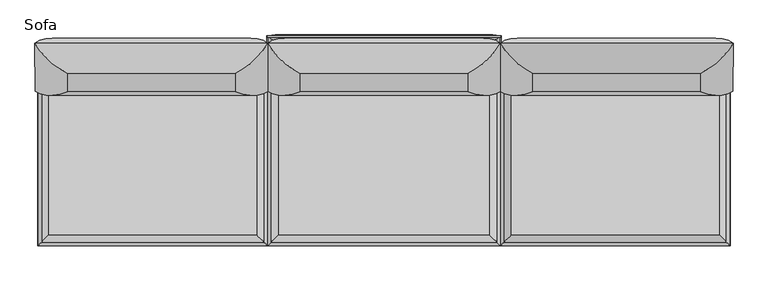
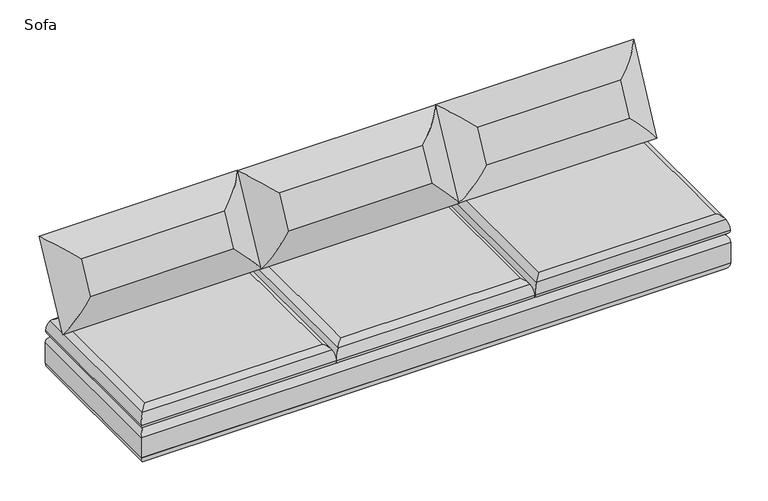
"""IFC4 building model written with IfcOpenShell, lengths in millimetres: furniture geometry, Sofa."""

from ifc_helpers import new_model, si_unit, frame, origin, place, context, project, spatial, polyline, ellipse_curve, outline, extrude, source, transform, mapped, element, save
from ifc_brep_helpers import plane_surface, cylinder_surface, advanced_brep


def sofa_3e85204a(model_context):
    return source(origin(), model_context, "Body", "SolidModel", [
        advanced_brep(
        [(646.6797252, 240.8346589, 603.5815721), (647.0392842, 321.5541698, 762.0021241), (507.0783778, 451.5945568, 853.3752799), (506.1519049, 243.6052285, 445.1742904), (646.8822518, 457.3435641, 692.8141501), (646.5226928, 376.6240532, 534.3935981), (1383.637387, 321.5541698, 760.3303051), (1524.0116192, 451.5945568, 851.0671987), (1383.4803546, 457.3435641, 691.1423312), (1383.277828, 240.8346589, 601.9097532), (1523.0851464, 243.6052285, 442.8662092), (1383.1207956, 376.6240532, 532.7217792)],
        [
            (0, 1),
            (1, 2, ellipse_curve(frame((656.0169647, 483.4251824, 669.1918342), z_axis=(-0.7085349183636998, -0.32101976096011775, -0.6284302527189903), x_axis=(0.705675001500553, -0.32101976096009843, -0.6316400124519629)), 263.8641638, 186.5801395)),
            (2, 3),
            (3, 0, ellipse_curve(frame((655.6945681, 411.0484767, 527.1449169), z_axis=(-0.705675001500552, 0.32101976096009915, 0.6316400124519636), x_axis=(-0.7085349183637007, -0.321019760960117, -0.6284302527189896)), 263.8641638, 186.5801395)),
            (2, 4, ellipse_curve(frame((651.8312889, 300.4148364, 767.3978558), z_axis=(-0.7085349183636998, -0.32101976096011775, -0.6284302527189903), x_axis=(0.705675001500553, -0.32101976096009843, -0.6316400124519629)), 245.7274984, 173.7555804)),
            (4, 5),
            (5, 3, ellipse_curve(frame((651.4910618, 224.0352441, 617.4948517), z_axis=(-0.705675001500552, 0.32101976096009915, 0.6316400124519636), x_axis=(-0.7085349183637007, -0.321019760960117, -0.6284302527189896)), 245.7274984, 173.7555804)),
            (1, 6),
            (6, 7, ellipse_curve(frame((1374.2385076, 483.4251824, 667.5617236), z_axis=(-0.7056750015005525, 0.32101976096009815, 0.6316400124519636), x_axis=(-0.7085349183637003, -0.3210197609601171, -0.6284302527189902)), 263.8641638, 186.5801395)),
            (7, 2),
            (7, 8, ellipse_curve(frame((1378.8699243, 300.4148364, 765.7477335), z_axis=(-0.7056750015005525, 0.32101976096009815, 0.6316400124519636), x_axis=(-0.7085349183637003, -0.3210197609601171, -0.6284302527189902)), 245.7274984, 173.7555804)),
            (8, 4),
            (6, 9),
            (9, 10, ellipse_curve(frame((1373.916111, 411.0484767, 525.5148063), z_axis=(0.7085349183637016, 0.32101976096011614, 0.6284302527189891), x_axis=(-0.7056750015005511, 0.3210197609600991, 0.6316400124519647)), 263.8641638, 186.5801395)),
            (10, 7),
            (10, 11, ellipse_curve(frame((1378.5296972, 224.0352441, 615.8447293), z_axis=(0.7085349183637016, 0.32101976096011614, 0.6284302527189891), x_axis=(-0.7056750015005511, 0.3210197609600991, 0.6316400124519647)), 245.7274984, 173.7555804)),
            (11, 8),
            (3, 10),
            (9, 0),
            (5, 11),
        ],
        [
            cylinder_surface(frame((655.6759869, 406.8770741, 518.9580996), z_axis=(-0.0020222666075612626, -0.4539904997395539, -0.8910042292739122), x_axis=(0.9999974243572972, 0.0, -0.0022696428731622553)), 186.5801395),
            cylinder_surface(frame((651.4813958, 221.8652848, 613.2360778), z_axis=(-0.0020222666075612626, -0.4539904997395539, -0.8910042292739122), x_axis=(0.9999974243572972, 0.0, -0.0022696428731622553)), 173.7555804),
            cylinder_surface(frame((646.8286848, 483.4251824, 669.2126884), z_axis=(-0.9999974243572973, 0.0, 0.002269642873163773), x_axis=(-0.002022266607560187, -0.45399049973955824, -0.89100422927391)), 186.5801395),
            cylinder_surface(frame((647.0515552, 300.4148364, 767.4087041), z_axis=(-0.9999974243572973, 0.0, 0.002269642873163773), x_axis=(-0.002022266607560187, -0.45399049973955824, -0.89100422927391)), 173.7555804),
            cylinder_surface(frame((1374.2570888, 487.596585, 675.748541), z_axis=(0.002022266607563192, 0.4539904997395532, 0.8910042292739124), x_axis=(-0.9999974243572972, 0.0, 0.002269642873168776)), 186.5801395),
            cylinder_surface(frame((1378.8795903, 302.5847957, 770.0065074), z_axis=(0.002022266607563192, 0.4539904997395532, 0.8910042292739124), x_axis=(-0.9999974243572972, 0.0, 0.002269642873168776)), 173.7555804),
            cylinder_surface(frame((1383.1043909, 411.0484767, 525.4939522), z_axis=(0.9999974243572971, 0.0, -0.0022696428731664637), x_axis=(0.002022266607563484, 0.45399049973954864, 0.8910042292739146)), 186.5801395),
            cylinder_surface(frame((1383.3094309, 224.0352441, 615.833881), z_axis=(0.9999974243572971, 0.0, -0.0022696428731664637), x_axis=(0.002022266607563484, 0.45399049973954864, 0.8910042292739146)), 173.7555804),
            plane_surface(frame((1383.277828, 240.8346589, 601.9097532), z_axis=(0.001030396302230183, -0.8910065241883645, 0.4539893304222357), x_axis=(-0.9999974243572972, 0.0, 0.002269642873166606))),
            plane_surface(frame((1383.1207956, 376.6240532, 532.7217792), z_axis=(-0.001030396302230183, 0.8910065241883645, -0.4539893304222357), x_axis=(0.9999974243572972, 0.0, -0.002269642873166606))),
        ],
        [
            (0, [[1, 2, 3, 4]]),
            (1, [[5, 6, 7, -3]]),
            (2, [[8, 9, 10, -2]]),
            (3, [[-10, 11, 12, -5]]),
            (4, [[13, 14, 15, -9]]),
            (5, [[-15, 16, 17, -11]]),
            (6, [[18, -14, 19, -4]]),
            (7, [[20, -16, -18, -7]]),
            (8, [[-19, -13, -8, -1]]),
            (9, [[-12, -17, -20, -6]]),
        ],
    ),
        advanced_brep(
        [(368.8652733, 240.8346589, 603.5815721), (509.3930936, 243.6052285, 445.1742904), (508.4666207, 451.5945568, 853.3752799), (368.5057143, 321.5541698, 762.0021241), (369.0223057, 376.6240532, 534.3935981), (368.6627467, 457.3435641, 692.8141501), (-508.4666207, 451.5945568, 851.0671987), (-368.0923885, 321.5541698, 760.3303051), (-367.9353561, 457.3435641, 691.1423312), (-507.5401479, 243.6052285, 442.8662092), (-367.7328295, 240.8346589, 601.9097532), (-367.5757971, 376.6240532, 532.7217792)],
        [
            (0, 1, ellipse_curve(frame((359.8504304, 411.0484767, 527.1449169), z_axis=(0.705675001500552, 0.32101976096009915, 0.6316400124519636), x_axis=(0.7085349183637007, -0.321019760960117, -0.6284302527189896)), 263.8641638, 186.5801395)),
            (1, 2),
            (2, 3, ellipse_curve(frame((359.5280338, 483.4251824, 669.1918342), z_axis=(0.7085349183636998, -0.32101976096011775, -0.6284302527189903), x_axis=(-0.705675001500553, -0.32101976096009843, -0.6316400124519629)), 263.8641638, 186.5801395)),
            (3, 0),
            (1, 4, ellipse_curve(frame((364.0539368, 224.0352441, 617.4948517), z_axis=(0.705675001500552, 0.32101976096009915, 0.6316400124519636), x_axis=(0.7085349183637007, -0.321019760960117, -0.6284302527189896)), 245.7274984, 173.7555804)),
            (4, 5),
            (5, 2, ellipse_curve(frame((363.7137096, 300.4148364, 767.3978558), z_axis=(0.7085349183636998, -0.32101976096011775, -0.6284302527189903), x_axis=(-0.705675001500553, -0.32101976096009843, -0.6316400124519629)), 245.7274984, 173.7555804)),
            (2, 6),
            (6, 7, ellipse_curve(frame((-358.6935091, 483.4251824, 667.5617236), z_axis=(0.7056750015005525, 0.32101976096009815, 0.6316400124519636), x_axis=(0.7085349183637003, -0.3210197609601171, -0.6284302527189902)), 263.8641638, 186.5801395)),
            (7, 3),
            (5, 8),
            (8, 6, ellipse_curve(frame((-363.3249258, 300.4148364, 765.7477335), z_axis=(0.7056750015005525, 0.32101976096009815, 0.6316400124519636), x_axis=(0.7085349183637003, -0.3210197609601171, -0.6284302527189902)), 245.7274984, 173.7555804)),
            (6, 9),
            (9, 10, ellipse_curve(frame((-358.3711125, 411.0484767, 525.5148063), z_axis=(-0.7085349183637016, 0.32101976096011614, 0.6284302527189891), x_axis=(0.7056750015005511, 0.3210197609600991, 0.6316400124519647)), 263.8641638, 186.5801395)),
            (10, 7),
            (8, 11),
            (11, 9, ellipse_curve(frame((-362.9846987, 224.0352441, 615.8447293), z_axis=(-0.7085349183637016, 0.32101976096011614, 0.6284302527189891), x_axis=(0.7056750015005511, 0.3210197609600991, 0.6316400124519647)), 245.7274984, 173.7555804)),
            (0, 10),
            (9, 1),
            (11, 4),
        ],
        [
            cylinder_surface(frame((359.8690116, 406.8770741, 518.9580996), z_axis=(0.0020222666075612626, -0.4539904997395539, -0.8910042292739122), x_axis=(-0.9999974243572972, 0.0, -0.0022696428731622553)), 186.5801395),
            cylinder_surface(frame((364.0636027, 221.8652848, 613.2360778), z_axis=(0.0020222666075612626, -0.4539904997395539, -0.8910042292739122), x_axis=(-0.9999974243572972, 0.0, -0.0022696428731622553)), 173.7555804),
            cylinder_surface(frame((368.7163137, 483.4251824, 669.2126884), z_axis=(0.9999974243572973, 0.0, 0.002269642873163773), x_axis=(0.002022266607560187, -0.45399049973955824, -0.89100422927391)), 186.5801395),
            cylinder_surface(frame((368.4934433, 300.4148364, 767.4087041), z_axis=(0.9999974243572973, 0.0, 0.002269642873163773), x_axis=(0.002022266607560187, -0.45399049973955824, -0.89100422927391)), 173.7555804),
            cylinder_surface(frame((-358.7120903, 487.596585, 675.748541), z_axis=(-0.002022266607563192, 0.4539904997395532, 0.8910042292739124), x_axis=(0.9999974243572972, 0.0, 0.002269642873168776)), 186.5801395),
            cylinder_surface(frame((-363.3345917, 302.5847957, 770.0065074), z_axis=(-0.002022266607563192, 0.4539904997395532, 0.8910042292739124), x_axis=(0.9999974243572972, 0.0, 0.002269642873168776)), 173.7555804),
            cylinder_surface(frame((-367.5593924, 411.0484767, 525.4939522), z_axis=(-0.9999974243572971, 0.0, -0.0022696428731664637), x_axis=(-0.002022266607563484, 0.45399049973954864, 0.8910042292739146)), 186.5801395),
            cylinder_surface(frame((-367.7644323, 224.0352441, 615.833881), z_axis=(-0.9999974243572971, 0.0, -0.0022696428731664637), x_axis=(-0.002022266607563484, 0.45399049973954864, 0.8910042292739146)), 173.7555804),
            plane_surface(frame((-367.7328295, 240.8346589, 601.9097532), z_axis=(-0.001030396302230183, -0.8910065241883645, 0.4539893304222357), x_axis=(0.9999974243572972, 0.0, 0.002269642873166606))),
            plane_surface(frame((-367.5757971, 376.6240532, 532.7217792), z_axis=(0.001030396302230183, 0.8910065241883645, -0.4539893304222357), x_axis=(-0.9999974243572972, 0.0, -0.002269642873166606))),
        ],
        [
            (0, [[1, 2, 3, 4]]),
            (1, [[-2, 5, 6, 7]]),
            (2, [[-3, 8, 9, 10]]),
            (3, [[-7, 11, 12, -8]]),
            (4, [[-9, 13, 14, 15]]),
            (5, [[-12, 16, 17, -13]]),
            (6, [[-1, 18, -14, 19]]),
            (7, [[-5, -19, -17, 20]]),
            (8, [[-4, -10, -15, -18]]),
            (9, [[-6, -20, -16, -11]]),
        ],
    ),
        advanced_brep(
        [(-646.6797252, 240.8346589, 603.5815721), (-506.1519049, 243.6052285, 445.1742904), (-507.0783778, 451.5945568, 853.3752799), (-647.0392842, 321.5541698, 762.0021241), (-646.5226928, 376.6240532, 534.3935981), (-646.8822518, 457.3435641, 692.8141501), (-1524.0116192, 451.5945568, 851.0671987), (-1383.637387, 321.5541698, 760.3303051), (-1383.4803546, 457.3435641, 691.1423312), (-1523.0851464, 243.6052285, 442.8662092), (-1383.277828, 240.8346589, 601.9097532), (-1383.1207956, 376.6240532, 532.7217792)],
        [
            (0, 1, ellipse_curve(frame((-655.6945681, 411.0484767, 527.1449169), z_axis=(0.705675001500552, 0.32101976096009915, 0.6316400124519636), x_axis=(0.7085349183637007, -0.321019760960117, -0.6284302527189896)), 263.8641638, 186.5801395)),
            (1, 2),
            (2, 3, ellipse_curve(frame((-656.0169647, 483.4251824, 669.1918342), z_axis=(0.7085349183636998, -0.32101976096011775, -0.6284302527189903), x_axis=(-0.705675001500553, -0.32101976096009843, -0.6316400124519629)), 263.8641638, 186.5801395)),
            (3, 0),
            (1, 4, ellipse_curve(frame((-651.4910618, 224.0352441, 617.4948517), z_axis=(0.705675001500552, 0.32101976096009915, 0.6316400124519636), x_axis=(0.7085349183637007, -0.321019760960117, -0.6284302527189896)), 245.7274984, 173.7555804)),
            (4, 5),
            (5, 2, ellipse_curve(frame((-651.8312889, 300.4148364, 767.3978558), z_axis=(0.7085349183636998, -0.32101976096011775, -0.6284302527189903), x_axis=(-0.705675001500553, -0.32101976096009843, -0.6316400124519629)), 245.7274984, 173.7555804)),
            (2, 6),
            (6, 7, ellipse_curve(frame((-1374.2385076, 483.4251824, 667.5617236), z_axis=(0.7056750015005525, 0.32101976096009815, 0.6316400124519636), x_axis=(0.7085349183637003, -0.3210197609601171, -0.6284302527189902)), 263.8641638, 186.5801395)),
            (7, 3),
            (5, 8),
            (8, 6, ellipse_curve(frame((-1378.8699243, 300.4148364, 765.7477335), z_axis=(0.7056750015005525, 0.32101976096009815, 0.6316400124519636), x_axis=(0.7085349183637003, -0.3210197609601171, -0.6284302527189902)), 245.7274984, 173.7555804)),
            (6, 9),
            (9, 10, ellipse_curve(frame((-1373.916111, 411.0484767, 525.5148063), z_axis=(-0.7085349183637016, 0.32101976096011614, 0.6284302527189891), x_axis=(0.7056750015005511, 0.3210197609600991, 0.6316400124519647)), 263.8641638, 186.5801395)),
            (10, 7),
            (8, 11),
            (11, 9, ellipse_curve(frame((-1378.5296972, 224.0352441, 615.8447293), z_axis=(-0.7085349183637016, 0.32101976096011614, 0.6284302527189891), x_axis=(0.7056750015005511, 0.3210197609600991, 0.6316400124519647)), 245.7274984, 173.7555804)),
            (0, 10),
            (9, 1),
            (11, 4),
        ],
        [
            cylinder_surface(frame((-655.6759869, 406.8770741, 518.9580996), z_axis=(0.0020222666075612626, -0.4539904997395539, -0.8910042292739122), x_axis=(-0.9999974243572972, 0.0, -0.0022696428731622553)), 186.5801395),
            cylinder_surface(frame((-651.4813958, 221.8652848, 613.2360778), z_axis=(0.0020222666075612626, -0.4539904997395539, -0.8910042292739122), x_axis=(-0.9999974243572972, 0.0, -0.0022696428731622553)), 173.7555804),
            cylinder_surface(frame((-646.8286848, 483.4251824, 669.2126884), z_axis=(0.9999974243572973, 0.0, 0.002269642873163773), x_axis=(0.002022266607560187, -0.45399049973955824, -0.89100422927391)), 186.5801395),
            cylinder_surface(frame((-647.0515552, 300.4148364, 767.4087041), z_axis=(0.9999974243572973, 0.0, 0.002269642873163773), x_axis=(0.002022266607560187, -0.45399049973955824, -0.89100422927391)), 173.7555804),
            cylinder_surface(frame((-1374.2570888, 487.596585, 675.748541), z_axis=(-0.002022266607563192, 0.4539904997395532, 0.8910042292739124), x_axis=(0.9999974243572972, 0.0, 0.002269642873168776)), 186.5801395),
            cylinder_surface(frame((-1378.8795903, 302.5847957, 770.0065074), z_axis=(-0.002022266607563192, 0.4539904997395532, 0.8910042292739124), x_axis=(0.9999974243572972, 0.0, 0.002269642873168776)), 173.7555804),
            cylinder_surface(frame((-1383.1043909, 411.0484767, 525.4939522), z_axis=(-0.9999974243572971, 0.0, -0.0022696428731664637), x_axis=(-0.002022266607563484, 0.45399049973954864, 0.8910042292739146)), 186.5801395),
            cylinder_surface(frame((-1383.3094309, 224.0352441, 615.833881), z_axis=(-0.9999974243572971, 0.0, -0.0022696428731664637), x_axis=(-0.002022266607563484, 0.45399049973954864, 0.8910042292739146)), 173.7555804),
            plane_surface(frame((-1383.277828, 240.8346589, 601.9097532), z_axis=(-0.001030396302230183, -0.8910065241883645, 0.4539893304222357), x_axis=(0.9999974243572972, 0.0, 0.002269642873166606))),
            plane_surface(frame((-1383.1207956, 376.6240532, 532.7217792), z_axis=(0.001030396302230183, 0.8910065241883645, -0.4539893304222357), x_axis=(-0.9999974243572972, 0.0, -0.002269642873166606))),
        ],
        [
            (0, [[1, 2, 3, 4]]),
            (1, [[-2, 5, 6, 7]]),
            (2, [[-3, 8, 9, 10]]),
            (3, [[-7, 11, 12, -8]]),
            (4, [[-9, 13, 14, 15]]),
            (5, [[-12, 16, 17, -13]]),
            (6, [[-1, 18, -14, 19]]),
            (7, [[-5, -19, -17, 20]]),
            (8, [[-4, -10, -15, -18]]),
            (9, [[-6, -20, -16, -11]]),
        ],
    ),
        advanced_brep(
        [(534.5118295, -405.2881705, 330.2), (534.5118295, 392.5881705, 330.2), (1484.7881705, 392.5881705, 330.2), (1484.7881705, -405.2881705, 330.2), (509.1138097, -430.6861903, 355.9171647), (509.1138097, 417.9861903, 355.9171647), (1510.1861903, -430.6861903, 355.9171647), (1510.1861903, 417.9861903, 355.9171647), (555.625, -384.175, 434.975), (1463.675, -384.175, 434.975), (1463.675, 371.475, 434.975), (555.625, 371.475, 434.975), (524.3683323, 402.7316677, 412.0276231), (524.3683323, -415.4316677, 412.0276231), (1494.9316677, -415.4316677, 412.0276231), (1494.9316677, 402.7316677, 412.0276231)],
        [
            (0, 1),
            (1, 2),
            (2, 3),
            (3, 0),
            (0, 4, ellipse_curve(frame((534.5118295, -405.2881705, 355.6), z_axis=(-0.7071067811865471, 0.7071067811865478, 0.0), x_axis=(0.7071067811865476, 0.7071067811865474, 0.0)), 35.9210245, 25.4)),
            (4, 5),
            (5, 1, ellipse_curve(frame((534.5118295, 392.5881705, 355.6), z_axis=(-0.7071067811865478, -0.7071067811865471, 0.0), x_axis=(-0.707106781186547, 0.707106781186548, 0.0)), 35.9210245, 25.4)),
            (3, 6, ellipse_curve(frame((1484.7881705, -405.2881705, 355.6), z_axis=(-0.7071067811865478, -0.7071067811865471, 0.0), x_axis=(-0.7071067811865474, 0.7071067811865476, 0.0)), 35.9210245, 25.4)),
            (6, 4),
            (2, 7, ellipse_curve(frame((1484.7881705, 392.5881705, 355.6), z_axis=(0.7071067811865471, -0.7071067811865478, 0.0), x_axis=(-0.7071067811865476, -0.7071067811865474, 0.0)), 35.9210245, 25.4)),
            (7, 6),
            (5, 7),
            (8, 9),
            (9, 10),
            (10, 11),
            (11, 8),
            (12, 13),
            (13, 8, ellipse_curve(frame((565.7518619, -374.0481381, 388.4201083), z_axis=(-0.7071067811865471, 0.7071067811865478, 0.0), x_axis=(0.7071067811865476, 0.7071067811865474, 0.0)), 67.3782053, 47.6435859)),
            (11, 12, ellipse_curve(frame((565.7518619, 361.3481381, 388.4201083), z_axis=(-0.7071067811865478, -0.7071067811865471, 0.0), x_axis=(-0.707106781186547, 0.707106781186548, 0.0)), 67.3782053, 47.6435859)),
            (4, 13, ellipse_curve(frame((625.2717034, -314.5282966, 354.4666114), z_axis=(-0.7071067811865471, 0.7071067811865478, 0.0), x_axis=(0.7071067811865476, 0.7071067811865474, 0.0)), 164.2848767, 116.1669504)),
            (12, 5, ellipse_curve(frame((625.2717034, 301.8282966, 354.4666114), z_axis=(-0.7071067811865478, -0.7071067811865471, 0.0), x_axis=(-0.707106781186547, 0.707106781186548, 0.0)), 164.2848767, 116.1669504)),
            (13, 14),
            (14, 9, ellipse_curve(frame((1453.5481381, -374.0481381, 388.4201083), z_axis=(-0.7071067811865478, -0.7071067811865471, 0.0), x_axis=(-0.7071067811865474, 0.7071067811865476, 0.0)), 67.3782053, 47.6435859)),
            (6, 14, ellipse_curve(frame((1394.0282966, -314.5282966, 354.4666114), z_axis=(-0.7071067811865478, -0.7071067811865471, 0.0), x_axis=(-0.7071067811865474, 0.7071067811865476, 0.0)), 164.2848767, 116.1669504)),
            (14, 15),
            (15, 10, ellipse_curve(frame((1453.5481381, 361.3481381, 388.4201083), z_axis=(0.7071067811865471, -0.7071067811865478, 0.0), x_axis=(-0.7071067811865476, -0.7071067811865474, 0.0)), 67.3782053, 47.6435859)),
            (7, 15, ellipse_curve(frame((1394.0282966, 301.8282966, 354.4666114), z_axis=(0.7071067811865471, -0.7071067811865478, 0.0), x_axis=(-0.7071067811865476, -0.7071067811865474, 0.0)), 164.2848767, 116.1669504)),
            (15, 12),
        ],
        [
            plane_surface(frame((1484.7881705, 392.5881705, 330.2), z_axis=(0.0, 0.0, -1.0), x_axis=(-1.0, 0.0, 0.0))),
            cylinder_surface(frame((534.5118295, 419.1, 355.6), z_axis=(0.0, 1.0, 0.0), x_axis=(-1.0, 0.0, 0.0)), 25.4),
            cylinder_surface(frame((508.0, -405.2881705, 355.6), z_axis=(-1.0, 0.0, 0.0), x_axis=(0.0, -1.0, 0.0)), 25.4),
            cylinder_surface(frame((1484.7881705, -431.8, 355.6), z_axis=(0.0, -1.0, 0.0), x_axis=(1.0, 0.0, 0.0)), 25.4),
            cylinder_surface(frame((1511.3, 392.5881705, 355.6), z_axis=(1.0, 0.0, 0.0), x_axis=(0.0, 1.0, 0.0)), 25.4),
            plane_surface(frame((1463.675, 371.475, 434.975), z_axis=(0.0, 0.0, 1.0), x_axis=(1.0, 0.0, 0.0))),
            cylinder_surface(frame((565.7518619, 419.1, 388.4201083), z_axis=(0.0, 1.0, 0.0), x_axis=(-1.0, 0.0, 0.0)), 47.6435859),
            cylinder_surface(frame((625.2717034, 419.1, 354.4666114), z_axis=(0.0, 1.0, 0.0), x_axis=(-1.0, 0.0, 0.0)), 116.1669504),
            cylinder_surface(frame((508.0, -374.0481381, 388.4201083), z_axis=(-1.0, 0.0, 0.0), x_axis=(0.0, -1.0, 0.0)), 47.6435859),
            cylinder_surface(frame((508.0, -314.5282966, 354.4666114), z_axis=(-1.0, 0.0, 0.0), x_axis=(0.0, -1.0, 0.0)), 116.1669504),
            cylinder_surface(frame((1453.5481381, -431.8, 388.4201083), z_axis=(0.0, -1.0, 0.0), x_axis=(1.0, 0.0, 0.0)), 47.6435859),
            cylinder_surface(frame((1394.0282966, -431.8, 354.4666114), z_axis=(0.0, -1.0, 0.0), x_axis=(1.0, 0.0, 0.0)), 116.1669504),
            cylinder_surface(frame((1511.3, 361.3481381, 388.4201083), z_axis=(1.0, 0.0, 0.0), x_axis=(0.0, 1.0, 0.0)), 47.6435859),
            cylinder_surface(frame((1511.3, 301.8282966, 354.4666114), z_axis=(1.0, 0.0, 0.0), x_axis=(0.0, 1.0, 0.0)), 116.1669504),
        ],
        [
            (0, [[1, 2, 3, 4]]),
            (1, [[5, 6, 7, -1]]),
            (2, [[8, 9, -5, -4]]),
            (3, [[10, 11, -8, -3]]),
            (4, [[-7, 12, -10, -2]]),
            (5, [[13, 14, 15, 16]]),
            (6, [[17, 18, -16, 19]]),
            (7, [[20, -17, 21, -6]]),
            (8, [[22, 23, -13, -18]]),
            (9, [[24, -22, -20, -9]]),
            (10, [[25, 26, -14, -23]]),
            (11, [[27, -25, -24, -11]]),
            (12, [[-15, -26, 28, -19]]),
            (13, [[-21, -28, -27, -12]]),
        ],
    ),
        advanced_brep(
        [(-534.5118295, -405.2881705, 330.2), (-1484.7881705, -405.2881705, 330.2), (-1484.7881705, 392.5881705, 330.2), (-534.5118295, 392.5881705, 330.2), (-509.1138097, 417.9861903, 355.9171647), (-509.1138097, -430.6861903, 355.9171647), (-1510.1861903, -430.6861903, 355.9171647), (-1510.1861903, 417.9861903, 355.9171647), (-555.625, -384.175, 434.975), (-555.625, 371.475, 434.975), (-1463.675, 371.475, 434.975), (-1463.675, -384.175, 434.975), (-524.3683323, 402.7316677, 412.0276231), (-524.3683323, -415.4316677, 412.0276231), (-1494.9316677, -415.4316677, 412.0276231), (-1494.9316677, 402.7316677, 412.0276231)],
        [
            (0, 1),
            (1, 2),
            (2, 3),
            (3, 0),
            (3, 4, ellipse_curve(frame((-534.5118295, 392.5881705, 355.6), z_axis=(0.7071067811865478, -0.7071067811865471, 0.0), x_axis=(0.707106781186547, 0.707106781186548, 0.0)), 35.9210245, 25.4)),
            (4, 5),
            (5, 0, ellipse_curve(frame((-534.5118295, -405.2881705, 355.6), z_axis=(0.7071067811865471, 0.7071067811865478, 0.0), x_axis=(-0.7071067811865476, 0.7071067811865474, 0.0)), 35.9210245, 25.4)),
            (5, 6),
            (6, 1, ellipse_curve(frame((-1484.7881705, -405.2881705, 355.6), z_axis=(0.7071067811865478, -0.7071067811865471, 0.0), x_axis=(0.7071067811865474, 0.7071067811865476, 0.0)), 35.9210245, 25.4)),
            (6, 7),
            (7, 2, ellipse_curve(frame((-1484.7881705, 392.5881705, 355.6), z_axis=(-0.7071067811865471, -0.7071067811865478, 0.0), x_axis=(0.7071067811865476, -0.7071067811865474, 0.0)), 35.9210245, 25.4)),
            (7, 4),
            (8, 9),
            (9, 10),
            (10, 11),
            (11, 8),
            (12, 9, ellipse_curve(frame((-565.7518619, 361.3481381, 388.4201083), z_axis=(0.7071067811865478, -0.7071067811865471, 0.0), x_axis=(0.707106781186547, 0.707106781186548, 0.0)), 67.3782053, 47.6435859)),
            (8, 13, ellipse_curve(frame((-565.7518619, -374.0481381, 388.4201083), z_axis=(0.7071067811865471, 0.7071067811865478, 0.0), x_axis=(-0.7071067811865476, 0.7071067811865474, 0.0)), 67.3782053, 47.6435859)),
            (13, 12),
            (4, 12, ellipse_curve(frame((-625.2717034, 301.8282966, 354.4666114), z_axis=(0.7071067811865478, -0.7071067811865471, 0.0), x_axis=(0.707106781186547, 0.707106781186548, 0.0)), 164.2848767, 116.1669504)),
            (13, 5, ellipse_curve(frame((-625.2717034, -314.5282966, 354.4666114), z_axis=(0.7071067811865471, 0.7071067811865478, 0.0), x_axis=(-0.7071067811865476, 0.7071067811865474, 0.0)), 164.2848767, 116.1669504)),
            (11, 14, ellipse_curve(frame((-1453.5481381, -374.0481381, 388.4201083), z_axis=(0.7071067811865478, -0.7071067811865471, 0.0), x_axis=(0.7071067811865474, 0.7071067811865476, 0.0)), 67.3782053, 47.6435859)),
            (14, 13),
            (14, 6, ellipse_curve(frame((-1394.0282966, -314.5282966, 354.4666114), z_axis=(0.7071067811865478, -0.7071067811865471, 0.0), x_axis=(0.7071067811865474, 0.7071067811865476, 0.0)), 164.2848767, 116.1669504)),
            (10, 15, ellipse_curve(frame((-1453.5481381, 361.3481381, 388.4201083), z_axis=(-0.7071067811865471, -0.7071067811865478, 0.0), x_axis=(0.7071067811865476, -0.7071067811865474, 0.0)), 67.3782053, 47.6435859)),
            (15, 14),
            (15, 7, ellipse_curve(frame((-1394.0282966, 301.8282966, 354.4666114), z_axis=(-0.7071067811865471, -0.7071067811865478, 0.0), x_axis=(0.7071067811865476, -0.7071067811865474, 0.0)), 164.2848767, 116.1669504)),
            (12, 15),
        ],
        [
            plane_surface(frame((-1484.7881705, 392.5881705, 330.2), z_axis=(0.0, 0.0, -1.0), x_axis=(1.0, 0.0, 0.0))),
            cylinder_surface(frame((-534.5118295, 419.1, 355.6), z_axis=(0.0, 1.0, 0.0), x_axis=(1.0, 0.0, 0.0)), 25.4),
            cylinder_surface(frame((-508.0, -405.2881705, 355.6), z_axis=(1.0, 0.0, 0.0), x_axis=(0.0, -1.0, 0.0)), 25.4),
            cylinder_surface(frame((-1484.7881705, -431.8, 355.6), z_axis=(0.0, -1.0, 0.0), x_axis=(-1.0, 0.0, 0.0)), 25.4),
            cylinder_surface(frame((-1511.3, 392.5881705, 355.6), z_axis=(-1.0, 0.0, 0.0), x_axis=(0.0, 1.0, 0.0)), 25.4),
            plane_surface(frame((-1463.675, 371.475, 434.975), z_axis=(0.0, 0.0, 1.0), x_axis=(-1.0, 0.0, 0.0))),
            cylinder_surface(frame((-565.7518619, 419.1, 388.4201083), z_axis=(0.0, 1.0, 0.0), x_axis=(1.0, 0.0, 0.0)), 47.6435859),
            cylinder_surface(frame((-625.2717034, 419.1, 354.4666114), z_axis=(0.0, 1.0, 0.0), x_axis=(1.0, 0.0, 0.0)), 116.1669504),
            cylinder_surface(frame((-508.0, -374.0481381, 388.4201083), z_axis=(1.0, 0.0, 0.0), x_axis=(0.0, -1.0, 0.0)), 47.6435859),
            cylinder_surface(frame((-508.0, -314.5282966, 354.4666114), z_axis=(1.0, 0.0, 0.0), x_axis=(0.0, -1.0, 0.0)), 116.1669504),
            cylinder_surface(frame((-1453.5481381, -431.8, 388.4201083), z_axis=(0.0, -1.0, 0.0), x_axis=(-1.0, 0.0, 0.0)), 47.6435859),
            cylinder_surface(frame((-1394.0282966, -431.8, 354.4666114), z_axis=(0.0, -1.0, 0.0), x_axis=(-1.0, 0.0, 0.0)), 116.1669504),
            cylinder_surface(frame((-1511.3, 361.3481381, 388.4201083), z_axis=(-1.0, 0.0, 0.0), x_axis=(0.0, 1.0, 0.0)), 47.6435859),
            cylinder_surface(frame((-1511.3, 301.8282966, 354.4666114), z_axis=(-1.0, 0.0, 0.0), x_axis=(0.0, 1.0, 0.0)), 116.1669504),
        ],
        [
            (0, [[1, 2, 3, 4]]),
            (1, [[-4, 5, 6, 7]]),
            (2, [[-1, -7, 8, 9]]),
            (3, [[-2, -9, 10, 11]]),
            (4, [[-3, -11, 12, -5]]),
            (5, [[13, 14, 15, 16]]),
            (6, [[17, -13, 18, 19]]),
            (7, [[-6, 20, -19, 21]]),
            (8, [[-18, -16, 22, 23]]),
            (9, [[-8, -21, -23, 24]]),
            (10, [[-22, -15, 25, 26]]),
            (11, [[-10, -24, -26, 27]]),
            (12, [[-17, 28, -25, -14]]),
            (13, [[-12, -27, -28, -20]]),
        ],
    ),
        advanced_brep(
        [(1492.25, -412.75, 329.9006118), (1492.25, 400.05, 329.9006118), (-1492.25, 400.05, 329.9006118), (-1492.25, -412.75, 329.9006118), (1492.25, 400.05, 142.5756118), (1492.25, -412.75, 142.5756118), (-1492.25, -412.75, 142.5756118), (-1492.25, 400.05, 142.5756118), (1511.2861528, 419.0861528, 291.910987), (1511.2861528, -431.7861528, 291.910987), (1511.3, 419.1, 181.4038342), (1511.3, 419.1, 291.0723894), (1511.3, -431.8, 291.0723894), (1511.3, -431.8, 181.4038342), (1511.2861528, 419.0861528, 180.5652366), (1511.2861528, -431.7861528, 180.5652366), (-1511.2861528, -431.7861528, 291.910987), (-1511.3, -431.8, 291.0723894), (-1511.3, -431.8, 181.4038342), (-1511.2861528, -431.7861528, 180.5652366), (-1511.2861528, 419.0861528, 291.910987), (-1511.3, 419.1, 291.0723894), (-1511.3, 419.1, 181.4038342), (-1511.2861528, 419.0861528, 180.5652366)],
        [
            (0, 1),
            (1, 2),
            (2, 3),
            (3, 0),
            (4, 5),
            (5, 6),
            (6, 7),
            (7, 4),
            (8, 1, ellipse_curve(frame((1460.5138472, 368.3138472, 290.2337918), z_axis=(0.7071067811865475, -0.7071067811865475, 0.0), x_axis=(0.7071067811865474, 0.7071067811865476, 0.0)), 71.842049, 50.8)),
            (0, 9, ellipse_curve(frame((1460.5138472, -381.0138472, 290.2337918), z_axis=(0.7071067811865475, 0.7071067811865475, 0.0), x_axis=(-0.7071067811865474, 0.7071067811865476, 0.0)), 71.842049, 50.8)),
            (9, 8),
            (10, 11),
            (11, 12),
            (12, 13),
            (13, 10),
            (4, 14, ellipse_curve(frame((1460.5138472, 368.3138472, 182.2424317), z_axis=(0.7071067811865475, -0.7071067811865475, 0.0), x_axis=(0.7071067811865474, 0.7071067811865476, 0.0)), 71.842049, 50.8)),
            (14, 15),
            (15, 5, ellipse_curve(frame((1460.5138472, -381.0138472, 182.2424317), z_axis=(0.7071067811865475, 0.7071067811865475, 0.0), x_axis=(-0.7071067811865474, 0.7071067811865476, 0.0)), 71.842049, 50.8)),
            (3, 16, ellipse_curve(frame((-1460.5138472, -381.0138472, 290.2337918), z_axis=(0.7071067811865475, -0.7071067811865475, 0.0), x_axis=(0.7071067811865476, 0.7071067811865474, 0.0)), 71.842049, 50.8)),
            (16, 9),
            (12, 17),
            (17, 18),
            (18, 13),
            (15, 19),
            (19, 6, ellipse_curve(frame((-1460.5138472, -381.0138472, 182.2424317), z_axis=(0.7071067811865475, -0.7071067811865475, 0.0), x_axis=(0.7071067811865476, 0.7071067811865474, 0.0)), 71.842049, 50.8)),
            (2, 20, ellipse_curve(frame((-1460.5138472, 368.3138472, 290.2337918), z_axis=(-0.7071067811865475, -0.7071067811865475, 0.0), x_axis=(0.7071067811865474, -0.7071067811865476, 0.0)), 71.842049, 50.8)),
            (20, 16),
            (17, 21),
            (21, 22),
            (22, 18),
            (19, 23),
            (23, 7, ellipse_curve(frame((-1460.5138472, 368.3138472, 182.2424317), z_axis=(-0.7071067811865475, -0.7071067811865475, 0.0), x_axis=(0.7071067811865474, -0.7071067811865476, 0.0)), 71.842049, 50.8)),
            (8, 20),
            (10, 22),
            (21, 11),
            (23, 14),
            (9, 12, ellipse_curve(frame((1485.9, -406.4, 291.0723894), z_axis=(0.7071067811865475, 0.7071067811865475, 0.0), x_axis=(-0.7071067811865474, 0.7071067811865476, 0.0)), 35.9210245, 25.4)),
            (11, 8, ellipse_curve(frame((1485.9, 393.7, 291.0723894), z_axis=(0.7071067811865475, -0.7071067811865475, 0.0), x_axis=(0.7071067811865474, 0.7071067811865476, 0.0)), 35.9210245, 25.4)),
            (13, 15, ellipse_curve(frame((1485.9, -406.4, 181.4038342), z_axis=(0.7071067811865475, 0.7071067811865475, 0.0), x_axis=(-0.7071067811865474, 0.7071067811865476, 0.0)), 35.9210245, 25.4)),
            (14, 10, ellipse_curve(frame((1485.9, 393.7, 181.4038342), z_axis=(0.7071067811865475, -0.7071067811865475, 0.0), x_axis=(0.7071067811865474, 0.7071067811865476, 0.0)), 35.9210245, 25.4)),
            (16, 17, ellipse_curve(frame((-1485.9, -406.4, 291.0723894), z_axis=(0.7071067811865475, -0.7071067811865475, 0.0), x_axis=(0.7071067811865476, 0.7071067811865474, 0.0)), 35.9210245, 25.4)),
            (18, 19, ellipse_curve(frame((-1485.9, -406.4, 181.4038342), z_axis=(0.7071067811865475, -0.7071067811865475, 0.0), x_axis=(0.7071067811865476, 0.7071067811865474, 0.0)), 35.9210245, 25.4)),
            (20, 21, ellipse_curve(frame((-1485.9, 393.7, 291.0723894), z_axis=(-0.7071067811865475, -0.7071067811865475, 0.0), x_axis=(0.7071067811865474, -0.7071067811865476, 0.0)), 35.9210245, 25.4)),
            (22, 23, ellipse_curve(frame((-1485.9, 393.7, 181.4038342), z_axis=(-0.7071067811865475, -0.7071067811865475, 0.0), x_axis=(0.7071067811865474, -0.7071067811865476, 0.0)), 35.9210245, 25.4)),
        ],
        [
            plane_surface(frame((-1492.25, 400.05, 329.9006118), z_axis=(0.0, 0.0, 1.0), x_axis=(-1.0, 0.0, 0.0))),
            plane_surface(frame((-1492.25, 400.05, 142.5756118), z_axis=(0.0, 0.0, -1.0), x_axis=(1.0, 0.0, 0.0))),
            cylinder_surface(frame((1460.5138472, 419.1, 290.2337918), z_axis=(0.0, 1.0, 0.0), x_axis=(1.0, 0.0, 0.0)), 50.8),
            plane_surface(frame((1511.3, 419.1, 291.0723894), z_axis=(1.0, 0.0, 0.0), x_axis=(0.0, -1.0, 0.0))),
            cylinder_surface(frame((1460.5138472, 419.1, 182.2424317), z_axis=(0.0, 1.0, 0.0), x_axis=(1.0, 0.0, 0.0)), 50.8),
            cylinder_surface(frame((1511.3, -381.0138472, 290.2337918), z_axis=(1.0, 0.0, 0.0), x_axis=(0.0, -1.0, 0.0)), 50.8),
            plane_surface(frame((1511.3, -431.8, 291.0723894), z_axis=(0.0, -1.0, 0.0), x_axis=(-1.0, 0.0, 0.0))),
            cylinder_surface(frame((1511.3, -381.0138472, 182.2424317), z_axis=(1.0, 0.0, 0.0), x_axis=(0.0, -1.0, 0.0)), 50.8),
            cylinder_surface(frame((-1460.5138472, -431.8, 290.2337918), z_axis=(0.0, -1.0, 0.0), x_axis=(-1.0, 0.0, 0.0)), 50.8),
            plane_surface(frame((-1511.3, -431.8, 291.0723894), z_axis=(-1.0, 0.0, 0.0), x_axis=(0.0, 1.0, 0.0))),
            cylinder_surface(frame((-1460.5138472, -431.8, 182.2424317), z_axis=(0.0, -1.0, 0.0), x_axis=(-1.0, 0.0, 0.0)), 50.8),
            cylinder_surface(frame((-1511.3, 368.3138472, 290.2337918), z_axis=(-1.0, 0.0, 0.0), x_axis=(0.0, 1.0, 0.0)), 50.8),
            plane_surface(frame((-1511.3, 419.1, 291.0723894), z_axis=(0.0, 1.0, 0.0), x_axis=(1.0, 0.0, 0.0))),
            cylinder_surface(frame((-1511.3, 368.3138472, 182.2424317), z_axis=(-1.0, 0.0, 0.0), x_axis=(0.0, 1.0, 0.0)), 50.8),
            cylinder_surface(frame((1485.9, 419.1, 291.0723894), z_axis=(0.0, 1.0, 0.0), x_axis=(1.0, 0.0, 0.0)), 25.4),
            cylinder_surface(frame((1485.9, 419.1, 181.4038342), z_axis=(0.0, 1.0, 0.0), x_axis=(1.0, 0.0, 0.0)), 25.4),
            cylinder_surface(frame((1511.3, -406.4, 291.0723894), z_axis=(1.0, 0.0, 0.0), x_axis=(0.0, -1.0, 0.0)), 25.4),
            cylinder_surface(frame((1511.3, -406.4, 181.4038342), z_axis=(1.0, 0.0, 0.0), x_axis=(0.0, -1.0, 0.0)), 25.4),
            cylinder_surface(frame((-1485.9, -431.8, 291.0723894), z_axis=(0.0, -1.0, 0.0), x_axis=(-1.0, 0.0, 0.0)), 25.4),
            cylinder_surface(frame((-1485.9, -431.8, 181.4038342), z_axis=(0.0, -1.0, 0.0), x_axis=(-1.0, 0.0, 0.0)), 25.4),
            cylinder_surface(frame((-1511.3, 393.7, 291.0723894), z_axis=(-1.0, 0.0, 0.0), x_axis=(0.0, 1.0, 0.0)), 25.4),
            cylinder_surface(frame((-1511.3, 393.7, 181.4038342), z_axis=(-1.0, 0.0, 0.0), x_axis=(0.0, 1.0, 0.0)), 25.4),
        ],
        [
            (0, [[1, 2, 3, 4]]),
            (1, [[5, 6, 7, 8]]),
            (2, [[9, -1, 10, 11]]),
            (3, [[12, 13, 14, 15]]),
            (4, [[16, 17, 18, -5]]),
            (5, [[-10, -4, 19, 20]]),
            (6, [[-14, 21, 22, 23]]),
            (7, [[-18, 24, 25, -6]]),
            (8, [[-19, -3, 26, 27]]),
            (9, [[-22, 28, 29, 30]]),
            (10, [[-25, 31, 32, -7]]),
            (11, [[-9, 33, -26, -2]]),
            (12, [[-12, 34, -29, 35]]),
            (13, [[-16, -8, -32, 36]]),
            (14, [[-11, 37, -13, 38]]),
            (15, [[-15, 39, -17, 40]]),
            (16, [[-20, 41, -21, -37]]),
            (17, [[-23, 42, -24, -39]]),
            (18, [[-27, 43, -28, -41]]),
            (19, [[-30, 44, -31, -42]]),
            (20, [[-33, -38, -35, -43]]),
            (21, [[-34, -40, -36, -44]]),
        ],
    ),
        advanced_brep(
        [(481.4881705, -405.2881705, 330.2), (-481.4881705, -405.2881705, 330.2), (-481.4881705, 392.5881705, 330.2), (481.4881705, 392.5881705, 330.2), (506.8861903, 417.9861903, 355.9171647), (506.8861903, -430.6861903, 355.9171647), (-506.8861903, -430.6861903, 355.9171647), (-506.8861903, 417.9861903, 355.9171647), (460.375, -384.175, 434.975), (460.375, 371.475, 434.975), (-460.375, 371.475, 434.975), (-460.375, -384.175, 434.975), (491.6316677, 402.7316677, 412.0276231), (491.6316677, -415.4316677, 412.0276231), (-491.6316677, -415.4316677, 412.0276231), (-491.6316677, 402.7316677, 412.0276231)],
        [
            (0, 1),
            (1, 2),
            (2, 3),
            (3, 0),
            (3, 4, ellipse_curve(frame((481.4881705, 392.5881705, 355.6), z_axis=(0.7071067811865478, -0.7071067811865471, 0.0), x_axis=(0.707106781186547, 0.707106781186548, 0.0)), 35.9210245, 25.4)),
            (4, 5),
            (5, 0, ellipse_curve(frame((481.4881705, -405.2881705, 355.6), z_axis=(0.7071067811865471, 0.7071067811865478, 0.0), x_axis=(-0.7071067811865476, 0.7071067811865474, 0.0)), 35.9210245, 25.4)),
            (5, 6),
            (6, 1, ellipse_curve(frame((-481.4881705, -405.2881705, 355.6), z_axis=(0.7071067811865478, -0.7071067811865471, 0.0), x_axis=(0.7071067811865474, 0.7071067811865476, 0.0)), 35.9210245, 25.4)),
            (6, 7),
            (7, 2, ellipse_curve(frame((-481.4881705, 392.5881705, 355.6), z_axis=(-0.7071067811865471, -0.7071067811865478, 0.0), x_axis=(0.7071067811865476, -0.7071067811865474, 0.0)), 35.9210245, 25.4)),
            (7, 4),
            (8, 9),
            (9, 10),
            (10, 11),
            (11, 8),
            (12, 9, ellipse_curve(frame((450.2481381, 361.3481381, 388.4201083), z_axis=(0.7071067811865478, -0.7071067811865471, 0.0), x_axis=(0.707106781186547, 0.707106781186548, 0.0)), 67.3782053, 47.6435859)),
            (8, 13, ellipse_curve(frame((450.2481381, -374.0481381, 388.4201083), z_axis=(0.7071067811865471, 0.7071067811865478, 0.0), x_axis=(-0.7071067811865476, 0.7071067811865474, 0.0)), 67.3782053, 47.6435859)),
            (13, 12),
            (4, 12, ellipse_curve(frame((390.7282966, 301.8282966, 354.4666114), z_axis=(0.7071067811865478, -0.7071067811865471, 0.0), x_axis=(0.707106781186547, 0.707106781186548, 0.0)), 164.2848767, 116.1669504)),
            (13, 5, ellipse_curve(frame((390.7282966, -314.5282966, 354.4666114), z_axis=(0.7071067811865471, 0.7071067811865478, 0.0), x_axis=(-0.7071067811865476, 0.7071067811865474, 0.0)), 164.2848767, 116.1669504)),
            (11, 14, ellipse_curve(frame((-450.2481381, -374.0481381, 388.4201083), z_axis=(0.7071067811865478, -0.7071067811865471, 0.0), x_axis=(0.7071067811865474, 0.7071067811865476, 0.0)), 67.3782053, 47.6435859)),
            (14, 13),
            (14, 6, ellipse_curve(frame((-390.7282966, -314.5282966, 354.4666114), z_axis=(0.7071067811865478, -0.7071067811865471, 0.0), x_axis=(0.7071067811865474, 0.7071067811865476, 0.0)), 164.2848767, 116.1669504)),
            (10, 15, ellipse_curve(frame((-450.2481381, 361.3481381, 388.4201083), z_axis=(-0.7071067811865471, -0.7071067811865478, 0.0), x_axis=(0.7071067811865476, -0.7071067811865474, 0.0)), 67.3782053, 47.6435859)),
            (15, 14),
            (15, 7, ellipse_curve(frame((-390.7282966, 301.8282966, 354.4666114), z_axis=(-0.7071067811865471, -0.7071067811865478, 0.0), x_axis=(0.7071067811865476, -0.7071067811865474, 0.0)), 164.2848767, 116.1669504)),
            (12, 15),
        ],
        [
            plane_surface(frame((-481.4881705, 392.5881705, 330.2), z_axis=(0.0, 0.0, -1.0), x_axis=(1.0, 0.0, 0.0))),
            cylinder_surface(frame((481.4881705, 419.1, 355.6), z_axis=(0.0, 1.0, 0.0), x_axis=(1.0, 0.0, 0.0)), 25.4),
            cylinder_surface(frame((508.0, -405.2881705, 355.6), z_axis=(1.0, 0.0, 0.0), x_axis=(0.0, -1.0, 0.0)), 25.4),
            cylinder_surface(frame((-481.4881705, -431.8, 355.6), z_axis=(0.0, -1.0, 0.0), x_axis=(-1.0, 0.0, 0.0)), 25.4),
            cylinder_surface(frame((-508.0, 392.5881705, 355.6), z_axis=(-1.0, 0.0, 0.0), x_axis=(0.0, 1.0, 0.0)), 25.4),
            plane_surface(frame((-460.375, 371.475, 434.975), z_axis=(0.0, 0.0, 1.0), x_axis=(-1.0, 0.0, 0.0))),
            cylinder_surface(frame((450.2481381, 419.1, 388.4201083), z_axis=(0.0, 1.0, 0.0), x_axis=(1.0, 0.0, 0.0)), 47.6435859),
            cylinder_surface(frame((390.7282966, 419.1, 354.4666114), z_axis=(0.0, 1.0, 0.0), x_axis=(1.0, 0.0, 0.0)), 116.1669504),
            cylinder_surface(frame((508.0, -374.0481381, 388.4201083), z_axis=(1.0, 0.0, 0.0), x_axis=(0.0, -1.0, 0.0)), 47.6435859),
            cylinder_surface(frame((508.0, -314.5282966, 354.4666114), z_axis=(1.0, 0.0, 0.0), x_axis=(0.0, -1.0, 0.0)), 116.1669504),
            cylinder_surface(frame((-450.2481381, -431.8, 388.4201083), z_axis=(0.0, -1.0, 0.0), x_axis=(-1.0, 0.0, 0.0)), 47.6435859),
            cylinder_surface(frame((-390.7282966, -431.8, 354.4666114), z_axis=(0.0, -1.0, 0.0), x_axis=(-1.0, 0.0, 0.0)), 116.1669504),
            cylinder_surface(frame((-508.0, 361.3481381, 388.4201083), z_axis=(-1.0, 0.0, 0.0), x_axis=(0.0, 1.0, 0.0)), 47.6435859),
            cylinder_surface(frame((-508.0, 301.8282966, 354.4666114), z_axis=(-1.0, 0.0, 0.0), x_axis=(0.0, 1.0, 0.0)), 116.1669504),
        ],
        [
            (0, [[1, 2, 3, 4]]),
            (1, [[-4, 5, 6, 7]]),
            (2, [[-1, -7, 8, 9]]),
            (3, [[-2, -9, 10, 11]]),
            (4, [[-3, -11, 12, -5]]),
            (5, [[13, 14, 15, 16]]),
            (6, [[17, -13, 18, 19]]),
            (7, [[-6, 20, -19, 21]]),
            (8, [[-18, -16, 22, 23]]),
            (9, [[-8, -21, -23, 24]]),
            (10, [[-22, -15, 25, 26]]),
            (11, [[-10, -24, -26, 27]]),
            (12, [[-17, 28, -25, -14]]),
            (13, [[-12, -27, -28, -20]]),
        ],
    ),
        advanced_brep(
        [(505.7575846, 434.791915, 160.8686683), (505.7575846, 441.508085, 160.8686683), (505.7575846, 441.508085, 535.118038), (505.7575846, 434.791915, 535.8533616), (412.6262529, 420.0470019, 254.0), (412.6262529, 420.0470019, 537.4677167), (412.6262529, 456.2529981, 254.0), (412.6262529, 444.0363367, 645.7092667), (412.6262529, 479.3846058, 637.8751081), (412.6262529, 456.2529981, 533.503683), (505.7575846, 485.1405159, 731.9906058), (505.7575846, 478.5834533, 733.4438331), (-505.8813317, 485.1405159, 731.9906058), (-505.8813317, 478.5834533, 733.4438331), (-412.75, 444.0363367, 645.7092667), (-412.75, 479.3846058, 637.8751081), (-505.8813317, 441.508085, 535.118038), (-505.8813317, 434.791915, 535.8533616), (-412.75, 420.0470019, 537.4677167), (-412.75, 420.0470019, 254.0), (-412.75, 456.2529981, 254.0), (-412.75, 456.2529981, 533.503683), (-505.8813317, 441.508085, 160.8686683), (-505.8813317, 434.791915, 160.8686683)],
        [
            (0, 1, ellipse_curve(frame((507.3756984, 438.15, 159.2505545), z_axis=(0.7071067811865478, 0.0, 0.7071067811865474), x_axis=(0.7071067811865474, 0.0, -0.7071067811865476)), 5.2716273, 3.7276034)),
            (1, 2),
            (2, 3, ellipse_curve(frame((507.3756984, 438.15, 535.4856998), z_axis=(0.0, -0.1088351909109808, -0.9940598076672098), x_axis=(0.0, 0.9940598076672097, -0.10883519091098363)), 3.7498784, 3.7276034)),
            (3, 0),
            (4, 0, ellipse_curve(frame((431.3229816, 603.4443158, 235.3032714), z_axis=(0.7071067811865478, 0.0, 0.7071067811865474), x_axis=(0.7071067811865474, 0.0, -0.7071067811865476)), 260.707278, 184.3478842)),
            (3, 5, ellipse_curve(frame((431.3229816, 603.4443158, 517.3883598), z_axis=(0.0, -0.1088351909109808, -0.9940598076672098), x_axis=(0.0, 0.9940598076672097, -0.10883519091098363)), 185.4494898, 184.3478842)),
            (5, 4),
            (6, 4),
            (5, 7),
            (7, 8),
            (8, 9),
            (9, 6),
            (1, 6, ellipse_curve(frame((431.3229816, 272.8556842, 235.3032714), z_axis=(0.7071067811865478, 0.0, 0.7071067811865474), x_axis=(0.7071067811865474, 0.0, -0.7071067811865476)), 260.707278, 184.3478842)),
            (9, 2, ellipse_curve(frame((431.3229816, 272.8556842, 553.5830399), z_axis=(0.0, -0.1088351909109808, -0.9940598076672098), x_axis=(0.0, 0.9940598076672097, -0.10883519091098363)), 185.4494898, 184.3478842)),
            (2, 10),
            (10, 11, ellipse_curve(frame((507.3756984, 482.2121078, 734.2969999), z_axis=(0.7071067811865469, -0.15300191120052808, -0.6903552818433322), x_axis=(-0.7071067811865481, -0.15300191120052536, -0.6903552818433315)), 5.2716273, 3.7276034)),
            (11, 3),
            (11, 7, ellipse_curve(frame((431.3229816, 627.1344811, 624.2800362), z_axis=(0.7071067811865469, -0.15300191120052808, -0.6903552818433322), x_axis=(-0.7071067811865481, -0.15300191120052536, -0.6903552818433315)), 260.707278, 184.3478842)),
            (8, 10, ellipse_curve(frame((431.3229816, 304.3775596, 695.8119375), z_axis=(0.7071067811865469, -0.15300191120052808, -0.6903552818433322), x_axis=(-0.7071067811865481, -0.15300191120052536, -0.6903552818433315)), 260.707278, 184.3478842)),
            (10, 12),
            (12, 13, ellipse_curve(frame((-507.4994455, 482.2121078, 734.2969999), z_axis=(0.7071067811865481, 0.15300191120052536, 0.6903552818433316), x_axis=(0.7071067811865468, -0.15300191120052803, -0.6903552818433321)), 5.2716273, 3.7276034)),
            (13, 11),
            (13, 14, ellipse_curve(frame((-431.4467286, 627.1344811, 624.2800362), z_axis=(0.7071067811865481, 0.15300191120052536, 0.6903552818433316), x_axis=(0.7071067811865468, -0.15300191120052803, -0.6903552818433321)), 260.707278, 184.3478842)),
            (14, 7),
            (14, 15),
            (15, 8),
            (15, 12, ellipse_curve(frame((-431.4467286, 304.3775596, 695.8119375), z_axis=(0.7071067811865481, 0.15300191120052536, 0.6903552818433316), x_axis=(0.7071067811865468, -0.15300191120052803, -0.6903552818433321)), 260.707278, 184.3478842)),
            (12, 16),
            (16, 17, ellipse_curve(frame((-507.4994455, 438.15, 535.4856998), z_axis=(0.0, 0.10883519091098079, 0.99405980766721), x_axis=(0.0, 0.9940598076672099, -0.10883519091098157)), 3.7498784, 3.7276034)),
            (17, 13),
            (17, 18, ellipse_curve(frame((-431.4467286, 603.4443158, 517.3883598), z_axis=(0.0, 0.10883519091098079, 0.99405980766721), x_axis=(0.0, 0.9940598076672099, -0.10883519091098157)), 185.4494898, 184.3478842)),
            (18, 14),
            (18, 19),
            (19, 20),
            (20, 21),
            (21, 15),
            (21, 16, ellipse_curve(frame((-431.4467286, 272.8556842, 553.5830399), z_axis=(0.0, 0.10883519091098079, 0.99405980766721), x_axis=(0.0, 0.9940598076672099, -0.10883519091098157)), 185.4494898, 184.3478842)),
            (16, 22),
            (22, 23, ellipse_curve(frame((-507.4994455, 438.15, 159.2505545), z_axis=(-0.7071067811865474, 0.0, 0.7071067811865476), x_axis=(0.7071067811865475, 0.0, 0.7071067811865475)), 5.2716273, 3.7276034)),
            (23, 17),
            (23, 19, ellipse_curve(frame((-431.4467286, 603.4443158, 235.3032714), z_axis=(-0.7071067811865474, 0.0, 0.7071067811865476), x_axis=(0.7071067811865475, 0.0, 0.7071067811865475)), 260.707278, 184.3478842)),
            (20, 22, ellipse_curve(frame((-431.4467286, 272.8556842, 235.3032714), z_axis=(-0.7071067811865474, 0.0, 0.7071067811865476), x_axis=(0.7071067811865475, 0.0, 0.7071067811865475)), 260.707278, 184.3478842)),
            (22, 1),
            (0, 23),
            (4, 19),
            (6, 20),
        ],
        [
            cylinder_surface(frame((507.3756984, 438.15, 254.0), z_axis=(0.0, 0.0, -1.0), x_axis=(0.0, -1.0, 0.0)), 3.7276034),
            cylinder_surface(frame((431.3229816, 603.4443158, 254.0), z_axis=(0.0, 0.0, -1.0), x_axis=(0.0, -1.0, 0.0)), 184.3478842),
            plane_surface(frame((412.6262529, 420.0470019, 254.0), z_axis=(-1.0, 0.0, 0.0), x_axis=(0.0, 0.0, 1.0))),
            cylinder_surface(frame((431.3229816, 272.8556842, 254.0), z_axis=(0.0, 0.0, -1.0), x_axis=(0.0, -1.0, 0.0)), 184.3478842),
            cylinder_surface(frame((507.3756984, 438.5788636, 537.4207623), z_axis=(0.0, -0.21637737788878886, -0.9763098024387404), x_axis=(0.0, -0.9763098024387404, 0.21637737788878886)), 3.7276034),
            cylinder_surface(frame((431.3229816, 599.9573244, 501.6548117), z_axis=(0.0, -0.21637737788878886, -0.9763098024387404), x_axis=(0.0, -0.9763098024387404, 0.21637737788878886)), 184.3478842),
            cylinder_surface(frame((431.3229816, 277.2004028, 573.1867129), z_axis=(0.0, -0.21637737788878886, -0.9763098024387404), x_axis=(0.0, -0.9763098024387404, 0.21637737788878886)), 184.3478842),
            cylinder_surface(frame((412.6262529, 482.2121078, 734.2969999), z_axis=(1.0000000000000002, 0.0, 0.0), x_axis=(0.0, -0.97630980243874, 0.21637737788879094)), 3.7276034),
            cylinder_surface(frame((412.6262529, 627.1344811, 624.2800362), z_axis=(1.0000000000000002, 0.0, 0.0), x_axis=(0.0, -0.97630980243874, 0.21637737788879094)), 184.3478842),
            plane_surface(frame((412.6262529, 444.0363367, 645.7092667), z_axis=(0.0, -0.21637737788879094, -0.97630980243874), x_axis=(-1.0, 0.0, 0.0))),
            cylinder_surface(frame((412.6262529, 304.3775596, 695.8119375), z_axis=(1.0000000000000002, 0.0, 0.0), x_axis=(0.0, -0.97630980243874, 0.21637737788879094)), 184.3478842),
            cylinder_surface(frame((-507.4994455, 461.7104712, 641.7921874), z_axis=(0.0, 0.21637737788878883, 0.9763098024387404), x_axis=(0.0, -0.9763098024387404, 0.21637737788878883)), 3.7276034),
            cylinder_surface(frame((-431.4467286, 623.088932, 606.0262368), z_axis=(0.0, 0.21637737788878883, 0.9763098024387404), x_axis=(0.0, -0.9763098024387404, 0.21637737788878883)), 184.3478842),
            plane_surface(frame((-412.75, 444.0363367, 645.7092667), z_axis=(1.0, 0.0, 0.0), x_axis=(0.0, -0.21637737788878877, -0.9763098024387404))),
            cylinder_surface(frame((-431.4467286, 300.3320105, 677.558138), z_axis=(0.0, 0.21637737788878883, 0.9763098024387404), x_axis=(0.0, -0.9763098024387404, 0.21637737788878883)), 184.3478842),
            cylinder_surface(frame((-507.4994455, 438.15, 533.503683), z_axis=(0.0, 0.0, 1.0), x_axis=(0.0, -1.0, 0.0)), 3.7276034),
            cylinder_surface(frame((-431.4467286, 603.4443158, 533.503683), z_axis=(0.0, 0.0, 1.0), x_axis=(0.0, -1.0, 0.0)), 184.3478842),
            cylinder_surface(frame((-431.4467286, 272.8556842, 533.503683), z_axis=(0.0, 0.0, 1.0), x_axis=(0.0, -1.0, 0.0)), 184.3478842),
            cylinder_surface(frame((-412.75, 438.15, 159.2505545), z_axis=(-1.0, 0.0, 0.0), x_axis=(0.0, -1.0, 0.0)), 3.7276034),
            cylinder_surface(frame((-412.75, 603.4443158, 235.3032714), z_axis=(-1.0, 0.0, 0.0), x_axis=(0.0, -1.0, 0.0)), 184.3478842),
            plane_surface(frame((-412.75, 420.0470019, 254.0), z_axis=(0.0, 0.0, 1.0), x_axis=(1.0, 0.0, 0.0))),
            cylinder_surface(frame((-412.75, 272.8556842, 235.3032714), z_axis=(-1.0, 0.0, 0.0), x_axis=(0.0, -1.0, 0.0)), 184.3478842),
        ],
        [
            (0, [[1, 2, 3, 4]]),
            (1, [[5, -4, 6, 7]]),
            (2, [[8, -7, 9, 10, 11, 12]]),
            (3, [[13, -12, 14, -2]]),
            (4, [[-3, 15, 16, 17]]),
            (5, [[-6, -17, 18, -9]]),
            (6, [[-14, -11, 19, -15]]),
            (7, [[-16, 20, 21, 22]]),
            (8, [[-18, -22, 23, 24]]),
            (9, [[-10, -24, 25, 26]]),
            (10, [[-19, -26, 27, -20]]),
            (11, [[-21, 28, 29, 30]]),
            (12, [[-23, -30, 31, 32]]),
            (13, [[-25, -32, 33, 34, 35, 36]]),
            (14, [[-27, -36, 37, -28]]),
            (15, [[-29, 38, 39, 40]]),
            (16, [[-31, -40, 41, -33]]),
            (17, [[-37, -35, 42, -38]]),
            (18, [[-39, 43, -1, 44]]),
            (19, [[-41, -44, -5, 45]]),
            (20, [[-34, -45, -8, 46]]),
            (21, [[-42, -46, -13, -43]]),
        ],
    ),
        extrude(outline(polyline([(456.2529981, 533.503683), (456.2529981, 254.0), (420.0470019, 254.0), (420.0470019, 537.4677167), (444.0363367, 645.7092667), (479.3846058, 637.8751081), (456.2529981, 533.503683)])), frame((-412.75, 0.0, 0.0), z_axis=(1.0, 0.0, 0.0), x_axis=(0.0, 1.0, 0.0)), (0.0, 0.0, 1.0), 825.3762529),
    ])


if __name__ == "__main__":
    model = new_model("IFC4")
    model_context = context("Model", 3, world=origin())
    ifc_project = project(units=[si_unit("LENGTHUNIT", "METRE", prefix="MILLI")], contexts=[model_context])
    site = spatial("IfcSite", under=ifc_project)
    building = spatial("IfcBuilding", under=site)
    placement = place(None, origin())
    sofa_shape = sofa_3e85204a(model_context)
    element("IfcFurniture", 1, ObjectType="Sofa", at=placement, inside=building, context=model_context, shape_type="MappedRepresentation", body=[
        mapped(sofa_shape, transform((0.0, 0.0, 0.0), x_axis=(1.0, 0.0, 0.0), y_axis=(0.0, 1.0, 0.0), z_axis=(0.0, 0.0, 1.0))),
    ])
    save(model, "model.ifc")
